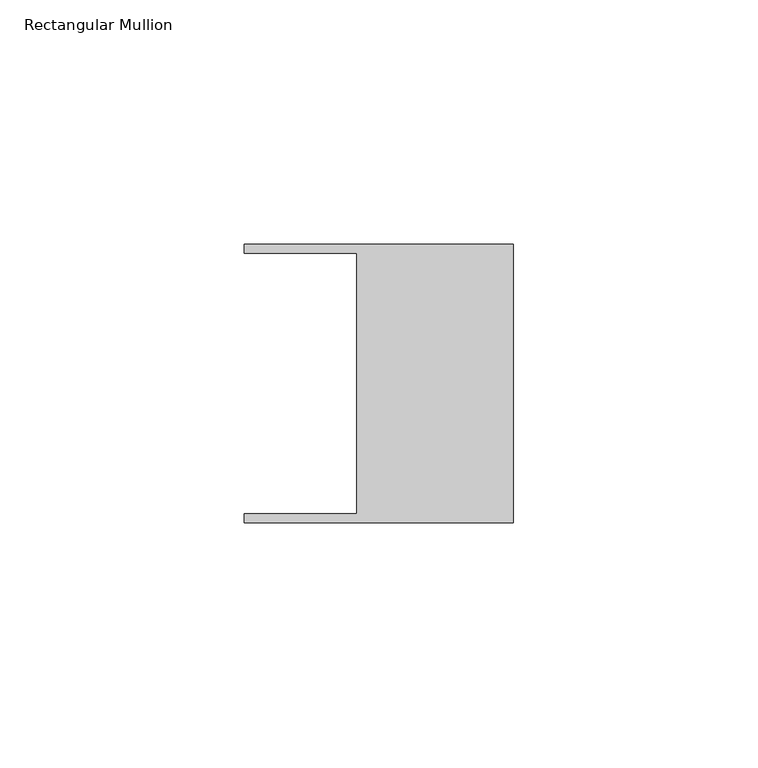
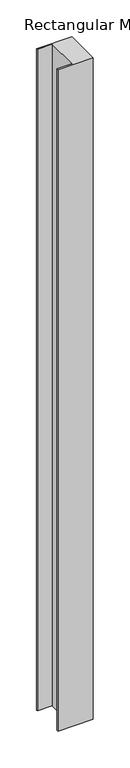
"""IFC4 building model written with IfcOpenShell, lengths in millimetres: member geometry, Rectangular Mullion."""

from ifc_helpers import new_model, si_unit, frame, origin, place, context, project, spatial, polyline, outline, extrude, source, transform, mapped, element, save


def rectangular_mullion_5214720f(model_context):
    return source(origin(), model_context, "Body", "SweptSolid", [
        extrude(outline(polyline([(-32.004, -26.67), (-32.004, 26.67), (-54.991, 26.67), (-54.991, 28.448), (0.0, 28.448), (0.0, -28.448), (-54.991, -28.448), (-54.991, -26.67), (-32.004, -26.67)])), frame((0.0, 0.0, -1092.2), z_axis=(0.0, 0.0, 1.0), x_axis=(1.0, 0.0, 0.0)), (0.0, 0.0, 1.0), 1092.2),
    ])


if __name__ == "__main__":
    model = new_model("IFC4")
    model_context = context("Model", 3, world=origin())
    ifc_project = project(units=[si_unit("LENGTHUNIT", "METRE", prefix="MILLI")], contexts=[model_context])
    site = spatial("IfcSite", under=ifc_project)
    building = spatial("IfcBuilding", under=site)
    placement = place(None, origin())
    rectangular_mullion_shape = rectangular_mullion_5214720f(model_context)
    element("IfcMember", 1, ObjectType="Rectangular Mullion", at=placement, inside=building, context=model_context, shape_type="MappedRepresentation", body=[
        mapped(rectangular_mullion_shape, transform((0.0, 0.0, 0.0), x_axis=(1.0, 0.0, 0.0), y_axis=(0.0, 1.0, 0.0), z_axis=(0.0, 0.0, 1.0))),
    ])
    save(model, "model.ifc")
